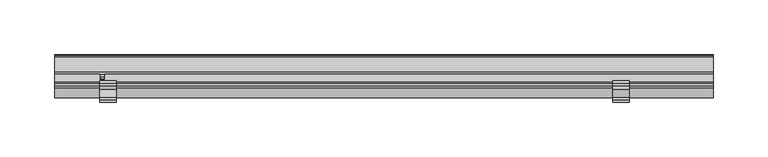
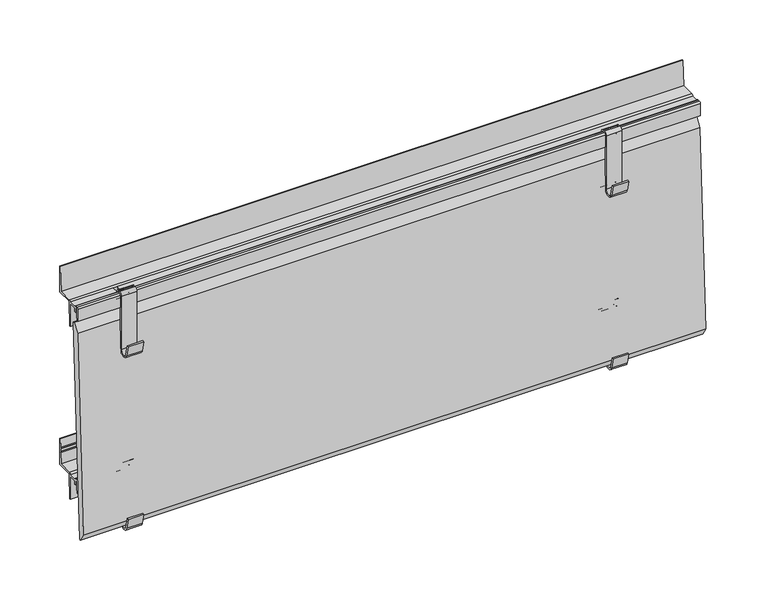
"""IFC4 building model written with IfcOpenShell, lengths in millimetres: plate geometry."""

from ifc_helpers import new_model, si_unit, point, frame, frame_2d, origin, place, context, project, spatial, polyline, circle_curve, trimmed, segment, composite_curve, outline, extrude, source, transform, mapped, element, save
from ifc_brep_helpers import plane_surface, cylinder_surface, revolved_surface, advanced_brep


def plate_7b664f5c(model_context):
    return source(origin(), model_context, "Body", "SolidModel", [
        extrude(outline(composite_curve([segment(polyline([(-18.8607974, 12.4845754), (-16.2339522, 1.8827501)]), True, "CONTINUOUS"), segment(trimmed(circle_curve(frame_2d((-12.5818057, 2.7976552)), 3.765), [point((-16.2339522, 1.8827501))], [point((-8.8168057, 2.7976552))], True, "CARTESIAN"), True, "CONTINUOUS"), segment(polyline([(-8.8168057, 2.7976552), (-8.8168057, 56.7976552)]), True, "CONTINUOUS"), segment(trimmed(circle_curve(frame_2d((-5.8168057, 56.7976552)), 3.0), [point((-8.8168057, 56.7976552))], [point((-5.8168057, 59.7976552))], False, "CARTESIAN"), True, "CONTINUOUS"), segment(polyline([(-5.8168057, 59.7976552), (-3.8168058, 59.7976552)]), True, "CONTINUOUS"), segment(trimmed(circle_curve(frame_2d((-3.8168058, 56.7976552)), 3.0), [point((-3.8168058, 59.7976552))], [point((-0.8168058, 56.7976552))], False, "CARTESIAN"), True, "CONTINUOUS"), segment(polyline([(-0.8168058, 56.7976552), (-0.8168057, 51.7976552)]), True, "CONTINUOUS"), segment(trimmed(circle_curve(frame_2d((0.6831943, 51.7976552)), 1.5), [point((-0.8168057, 51.7976552))], [point((0.6831943, 50.2976552))], True, "CARTESIAN"), True, "CONTINUOUS"), segment(polyline([(0.6831943, 50.2976552), (2.1831943, 50.2976552)]), True, "CONTINUOUS"), segment(trimmed(circle_curve(frame_2d((2.1831943, 47.2976552)), 3.0), [point((2.1831943, 50.2976552))], [point((5.1831943, 47.2976552))], False, "CARTESIAN"), True, "CONTINUOUS"), segment(polyline([(5.1831943, 47.2976552), (5.1831943, 1.2976552)]), True, "CONTINUOUS"), segment(trimmed(circle_curve(frame_2d((2.1831943, 1.2976552)), 3.0), [point((5.1831943, 1.2976552))], [point((-0.8006941, 0.9871553))], False, "CARTESIAN"), True, "CONTINUOUS"), segment(polyline([(-0.8006941, 0.9871553), (-3.8092302, 30.8457927), (-2.3167633, 30.9961593), (0.6808295, 1.2455237)]), True, "CONTINUOUS"), segment(trimmed(circle_curve(frame_2d((2.1815304, 1.2993191)), 1.5016648), [point((0.6808295, 1.2455237))], [point((3.6831943, 1.300983))], True, "CARTESIAN"), True, "CONTINUOUS"), segment(polyline([(3.6831943, 1.300983), (3.6831943, 47.2976552)]), True, "CONTINUOUS"), segment(trimmed(circle_curve(frame_2d((2.1831943, 47.2976552)), 1.5), [point((3.6831943, 47.2976552))], [point((2.1831943, 48.7976552))], True, "CARTESIAN"), True, "CONTINUOUS"), segment(polyline([(2.1831943, 48.7976552), (0.6831943, 48.7976552)]), True, "CONTINUOUS"), segment(trimmed(circle_curve(frame_2d((0.6831943, 51.7976552)), 3.0), [point((0.6831943, 48.7976552))], [point((-2.3168057, 51.7976552))], False, "CARTESIAN"), True, "CONTINUOUS"), segment(polyline([(-2.3168057, 51.7976552), (-2.3168057, 56.7976552)]), True, "CONTINUOUS"), segment(trimmed(circle_curve(frame_2d((-3.8168057, 56.7976552)), 1.5), [point((-2.3168057, 56.7976552))], [point((-3.8168057, 58.2976552))], True, "CARTESIAN"), True, "CONTINUOUS"), segment(polyline([(-3.8168057, 58.2976552), (-5.8168057, 58.2976552)]), True, "CONTINUOUS"), segment(trimmed(circle_curve(frame_2d((-5.8168057, 56.7976552)), 1.5), [point((-5.8168057, 58.2976552))], [point((-7.3168057, 56.7976552))], True, "CARTESIAN"), True, "CONTINUOUS"), segment(polyline([(-7.3168057, 56.7976552), (-7.3168057, 2.7976552)]), True, "CONTINUOUS"), segment(trimmed(circle_curve(frame_2d((-12.5818057, 2.7976552)), 5.265), [point((-7.3168057, 2.7976552))], [point((-17.692272, 1.5314169))], False, "CARTESIAN"), True, "CONTINUOUS"), segment(polyline([(-17.692272, 1.5314169), (-20.3167911, 12.1238271), (-18.8607974, 12.4845754)]), True, "CONTINUOUS")], self_intersect=False)), frame((208.4272488, 0.0, 0.0), z_axis=(1.0, 0.0, 0.0), x_axis=(0.0, 1.0, 0.0)), (0.0, 0.0, 1.0), 15.0),
        extrude(outline(composite_curve([segment(polyline([(-5.8168057, 56.7976552), (-5.8168057, 49.7976552), (-6.3168057, 44.7976552), (-7.3168057, 44.7976552), (-7.3168057, 56.7976552)]), True, "CONTINUOUS"), segment(trimmed(circle_curve(frame_2d((-5.8168057, 56.7976552)), 1.5), [point((-7.3168057, 56.7976552))], [point((-5.8168057, 58.2976552))], False, "CARTESIAN"), True, "CONTINUOUS"), segment(polyline([(-5.8168057, 58.2976552), (-3.8168057, 58.2976552)]), True, "CONTINUOUS"), segment(trimmed(circle_curve(frame_2d((-3.8168057, 56.7976552)), 1.5), [point((-3.8168057, 58.2976552))], [point((-2.3168057, 56.7976552))], False, "CARTESIAN"), True, "CONTINUOUS"), segment(polyline([(-2.3168057, 56.7976552), (5.1831943, 56.7976552)]), True, "CONTINUOUS"), segment(trimmed(circle_curve(frame_2d((6.6831943, 56.7976552)), 1.5), [point((5.1831943, 56.7976552))], [point((6.6831943, 58.2976552))], False, "CARTESIAN"), True, "CONTINUOUS"), segment(polyline([(6.6831943, 58.2976552), (20.6831943, 58.2976552), (21.1423236, 69.7758352), (20.6038409, 70.35277), (21.1905414, 70.9813863), (21.2902042, 73.4729787), (20.7538425, 74.0476552), (21.3382388, 74.6737997), (21.6831943, 83.2976552), (22.6831943, 83.2976552), (22.6831943, 56.7976552), (7.6831943, 56.7976552)]), True, "CONTINUOUS"), segment(trimmed(circle_curve(frame_2d((7.6831943, 56.2976552)), 0.5), [point((7.6831943, 56.7976552))], [point((7.1831943, 56.2976552))], True, "CARTESIAN"), True, "CONTINUOUS"), segment(polyline([(7.1831943, 56.2976552), (7.1831943, 55.3127462), (6.1831943, 31.7976552), (5.1831943, 31.7976552), (5.1831943, 55.2976552), (-2.3168057, 55.2976552), (-2.3168057, 51.7696554), (-3.8168057, 51.7696554), (-3.8168057, 56.7976552), (-5.8168057, 56.7976552)]), True, "CONTINUOUS")], self_intersect=False)), frame((-300.0, 0.0, 0.0), z_axis=(1.0, 0.0, 0.0), x_axis=(0.0, 1.0, 0.0)), (0.0, 0.0, 1.0), 600.0),
        extrude(outline(composite_curve([segment(polyline([(-18.8607974, 12.4845754), (-16.2339522, 1.8827501)]), True, "CONTINUOUS"), segment(trimmed(circle_curve(frame_2d((-12.5818057, 2.7976552)), 3.765), [point((-16.2339522, 1.8827501))], [point((-8.8168057, 2.7976552))], True, "CARTESIAN"), True, "CONTINUOUS"), segment(polyline([(-8.8168057, 2.7976552), (-8.8168057, 56.7976552)]), True, "CONTINUOUS"), segment(trimmed(circle_curve(frame_2d((-5.8168057, 56.7976552)), 3.0), [point((-8.8168057, 56.7976552))], [point((-5.8168057, 59.7976552))], False, "CARTESIAN"), True, "CONTINUOUS"), segment(polyline([(-5.8168057, 59.7976552), (-3.8168057, 59.7976552)]), True, "CONTINUOUS"), segment(trimmed(circle_curve(frame_2d((-3.8168057, 56.7976552)), 3.0), [point((-3.8168057, 59.7976552))], [point((-0.8168057, 56.7976552))], False, "CARTESIAN"), True, "CONTINUOUS"), segment(polyline([(-0.8168057, 56.7976552), (-0.8168057, 51.7976552)]), True, "CONTINUOUS"), segment(trimmed(circle_curve(frame_2d((0.6831943, 51.7976552)), 1.5), [point((-0.8168057, 51.7976552))], [point((0.6831943, 50.2976552))], True, "CARTESIAN"), True, "CONTINUOUS"), segment(polyline([(0.6831943, 50.2976552), (2.1831943, 50.2976552)]), True, "CONTINUOUS"), segment(trimmed(circle_curve(frame_2d((2.1831943, 47.2976552)), 3.0), [point((2.1831943, 50.2976552))], [point((5.1831943, 47.2976552))], False, "CARTESIAN"), True, "CONTINUOUS"), segment(polyline([(5.1831943, 47.2976552), (5.1831943, 1.2976552)]), True, "CONTINUOUS"), segment(trimmed(circle_curve(frame_2d((2.1831943, 1.2976552)), 3.0), [point((5.1831943, 1.2976552))], [point((-0.8006941, 0.9871553))], False, "CARTESIAN"), True, "CONTINUOUS"), segment(polyline([(-0.8006941, 0.9871553), (-3.8092302, 30.8457927), (-2.3167633, 30.9961593), (0.6808295, 1.2455237)]), True, "CONTINUOUS"), segment(trimmed(circle_curve(frame_2d((2.1815304, 1.2993191)), 1.5016648), [point((0.6808295, 1.2455237))], [point((3.6831943, 1.300983))], True, "CARTESIAN"), True, "CONTINUOUS"), segment(polyline([(3.6831943, 1.300983), (3.6831943, 47.2976552)]), True, "CONTINUOUS"), segment(trimmed(circle_curve(frame_2d((2.1831943, 47.2976552)), 1.5), [point((3.6831943, 47.2976552))], [point((2.1831943, 48.7976552))], True, "CARTESIAN"), True, "CONTINUOUS"), segment(polyline([(2.1831943, 48.7976552), (0.6831943, 48.7976552)]), True, "CONTINUOUS"), segment(trimmed(circle_curve(frame_2d((0.6831943, 51.7976552)), 3.0), [point((0.6831943, 48.7976552))], [point((-2.3168057, 51.7976552))], False, "CARTESIAN"), True, "CONTINUOUS"), segment(polyline([(-2.3168057, 51.7976552), (-2.3168057, 56.7976552)]), True, "CONTINUOUS"), segment(trimmed(circle_curve(frame_2d((-3.8168057, 56.7976552)), 1.5), [point((-2.3168057, 56.7976552))], [point((-3.8168057, 58.2976552))], True, "CARTESIAN"), True, "CONTINUOUS"), segment(polyline([(-3.8168057, 58.2976552), (-5.8168057, 58.2976552)]), True, "CONTINUOUS"), segment(trimmed(circle_curve(frame_2d((-5.8168057, 56.7976552)), 1.5), [point((-5.8168057, 58.2976552))], [point((-7.3168057, 56.7976552))], True, "CARTESIAN"), True, "CONTINUOUS"), segment(polyline([(-7.3168057, 56.7976552), (-7.3168057, 2.7976552)]), True, "CONTINUOUS"), segment(trimmed(circle_curve(frame_2d((-12.5818057, 2.7976552)), 5.265), [point((-7.3168057, 2.7976552))], [point((-17.692272, 1.5314169))], False, "CARTESIAN"), True, "CONTINUOUS"), segment(polyline([(-17.692272, 1.5314169), (-20.3167911, 12.1238271), (-18.8607974, 12.4845754)]), True, "CONTINUOUS")], self_intersect=False)), frame((-258.9272488, 0.0, 0.0), z_axis=(1.0, 0.0, 0.0), x_axis=(0.0, 1.0, 0.0)), (0.0, 0.0, 1.0), 15.0),
        extrude(outline(composite_curve([segment(polyline([(-8.8168056, 178.7801056), (-8.8168056, 232.7801055)]), True, "CONTINUOUS"), segment(trimmed(circle_curve(frame_2d((-5.8168057, 232.7801055)), 3.0), [point((-8.8168056, 232.7801055))], [point((-5.8168057, 235.7801055))], False, "CARTESIAN"), True, "CONTINUOUS"), segment(polyline([(-5.8168057, 235.7801055), (-3.8168057, 235.7801055)]), True, "CONTINUOUS"), segment(trimmed(circle_curve(frame_2d((-3.8168057, 232.7801055)), 3.0), [point((-3.8168057, 235.7801055))], [point((-0.8168057, 232.7801055))], False, "CARTESIAN"), True, "CONTINUOUS"), segment(polyline([(-0.8168057, 232.7801055), (-0.8168057, 227.7801055)]), True, "CONTINUOUS"), segment(trimmed(circle_curve(frame_2d((0.6831943, 227.7801055)), 1.5), [point((-0.8168057, 227.7801055))], [point((0.6831943, 226.2801055))], True, "CARTESIAN"), True, "CONTINUOUS"), segment(polyline([(0.6831943, 226.2801055), (2.1831943, 226.2801055)]), True, "CONTINUOUS"), segment(trimmed(circle_curve(frame_2d((2.1831943, 223.2801056)), 3.0), [point((2.1831943, 226.2801055))], [point((5.1831943, 223.2801056))], False, "CARTESIAN"), True, "CONTINUOUS"), segment(polyline([(5.1831943, 223.2801056), (5.1831943, 177.2801056)]), True, "CONTINUOUS"), segment(trimmed(circle_curve(frame_2d((2.1831943, 177.2801056)), 3.0), [point((5.1831943, 177.2801056))], [point((-0.8168057, 177.2801056))], False, "CARTESIAN"), True, "CONTINUOUS"), segment(polyline([(-0.8168057, 177.2801056), (-0.8168057, 207.2801056), (0.6831943, 207.2801056), (0.6831943, 177.2801056)]), True, "CONTINUOUS"), segment(trimmed(circle_curve(frame_2d((2.1831943, 177.2801056)), 1.5), [point((0.6831943, 177.2801056))], [point((3.6831943, 177.2801056))], True, "CARTESIAN"), True, "CONTINUOUS"), segment(polyline([(3.6831943, 177.2801056), (3.6831943, 223.2801056)]), True, "CONTINUOUS"), segment(trimmed(circle_curve(frame_2d((2.1831943, 223.2801056)), 1.5), [point((3.6831943, 223.2801056))], [point((2.1831943, 224.7801056))], True, "CARTESIAN"), True, "CONTINUOUS"), segment(polyline([(2.1831943, 224.7801056), (0.6831943, 224.7801056)]), True, "CONTINUOUS"), segment(trimmed(circle_curve(frame_2d((0.6831943, 227.7801055)), 3.0), [point((0.6831943, 224.7801056))], [point((-2.3168057, 227.7801055))], False, "CARTESIAN"), True, "CONTINUOUS"), segment(polyline([(-2.3168057, 227.7801055), (-2.3168057, 232.7801055)]), True, "CONTINUOUS"), segment(trimmed(circle_curve(frame_2d((-3.8168057, 232.7801055)), 1.5), [point((-2.3168057, 232.7801055))], [point((-3.8168057, 234.2801055))], True, "CARTESIAN"), True, "CONTINUOUS"), segment(polyline([(-3.8168057, 234.2801055), (-5.8168057, 234.2801055)]), True, "CONTINUOUS"), segment(trimmed(circle_curve(frame_2d((-5.8168057, 232.7801055)), 1.5), [point((-5.8168057, 234.2801055))], [point((-7.3168057, 232.7801055))], True, "CARTESIAN"), True, "CONTINUOUS"), segment(polyline([(-7.3168057, 232.7801055), (-7.3168057, 178.7801056)]), True, "CONTINUOUS"), segment(trimmed(circle_curve(frame_2d((-12.5818056, 178.7801056)), 5.265), [point((-7.3168057, 178.7801056))], [point((-17.6922719, 177.5138672))], False, "CARTESIAN"), True, "CONTINUOUS"), segment(polyline([(-17.6922719, 177.5138672), (-20.316791, 188.1062774), (-18.8607973, 188.4670257), (-16.2386219, 177.8840476)]), True, "CONTINUOUS"), segment(trimmed(circle_curve(frame_2d((-12.5818056, 178.7801056)), 3.765), [point((-16.2386219, 177.8840476))], [point((-8.8168056, 178.7801056))], True, "CARTESIAN"), True, "CONTINUOUS")], self_intersect=False)), frame((-258.9272488, 0.0, 0.0), z_axis=(1.0, 0.0, 0.0), x_axis=(0.0, 1.0, 0.0)), (0.0, 0.0, 1.0), 15.0),
        advanced_brep(
        [(300.0, -6.3168057, 220.7801056), (300.0, -5.8168057, 225.7801056), (300.0, -5.8168057, 232.7801056), (300.0, -3.8168057, 232.7801056), (300.0, -3.8168057, 227.7521057), (300.0, -2.3168057, 227.7521057), (300.0, -2.3168057, 231.2801056), (300.0, 5.1831943, 231.2801056), (300.0, 5.1831943, 207.7801056), (300.0, 6.1831943, 207.7801056), (300.0, 7.2219099, 232.2055981), (300.0, 7.8213681, 232.7801056), (300.0, 22.6831943, 232.7801056), (300.0, 22.6831943, 259.2801056), (300.0, 21.6831943, 259.2801056), (300.0, 20.6831943, 234.2801056), (300.0, 6.6831943, 234.2801056), (300.0, 5.1831942, 232.7801056), (300.0, -2.3168057, 232.7801056), (300.0, -3.8168057, 234.2801056), (300.0, -5.8168057, 234.2801056), (300.0, -7.3168057, 232.7801056), (300.0, -7.3168057, 220.7801056), (-300.0, -6.3168057, 220.7801056), (-300.0, -7.3168057, 220.7801056), (-300.0, -7.3168057, 232.7801056), (-300.0, -5.8168057, 234.2801056), (-300.0, -3.8168057, 234.2801056), (-300.0, -2.3168057, 232.7801056), (-300.0, 5.1831942, 232.7801056), (-300.0, 6.6831943, 234.2801056), (-300.0, 20.6831943, 234.2801056), (-300.0, 21.6831943, 259.2801056), (-300.0, 22.6831943, 259.2801056), (-300.0, 22.6831943, 232.7801056), (-300.0, 7.8213681, 232.7801056), (-300.0, 7.2219099, 232.2055981), (-300.0, 6.1831943, 207.7801056), (-300.0, 5.1831943, 207.7801056), (-300.0, 5.1831943, 231.2801056), (-300.0, -2.3168057, 231.2801056), (-300.0, -2.3168057, 227.7521057), (-300.0, -3.8168057, 227.7521057), (-300.0, -3.8168057, 232.7801056), (-300.0, -5.8168057, 232.7801056), (-300.0, -5.8168057, 225.7801056), (-254.6830534, 5.1831942, 232.7801056), (-254.6830534, 0.0, 232.7801056), (-258.9272488, 0.0, 232.7801056), (-258.9272488, 5.1831942, 232.7801056), (-254.6830534, 5.1831943, 231.2801056), (-258.9272488, 5.1831943, 231.2801056), (-258.9272488, 0.0, 231.2801056), (-254.6830534, 0.0, 231.2801056)],
        [
            (0, 1),
            (1, 2),
            (2, 3),
            (3, 4),
            (4, 5),
            (5, 6),
            (6, 7),
            (7, 8),
            (8, 9),
            (9, 10),
            (10, 11, circle_curve(frame((300.0, 7.8213681, 232.1801056), z_axis=(-1.0, 0.0, 0.0), x_axis=(0.0, -1.0, 0.0)), 0.6)),
            (11, 12),
            (12, 13),
            (13, 14),
            (14, 15),
            (15, 16),
            (16, 17, circle_curve(frame((300.0, 6.6831943, 232.7801056), z_axis=(1.0, 0.0, 0.0), x_axis=(0.0, -1.0, 0.0)), 1.5)),
            (17, 18),
            (18, 19, circle_curve(frame((300.0, -3.8168057, 232.7801056), z_axis=(1.0, 0.0, 0.0), x_axis=(0.0, -1.0, 0.0)), 1.5)),
            (19, 20),
            (20, 21, circle_curve(frame((300.0, -5.8168057, 232.7801056), z_axis=(1.0, 0.0, 0.0), x_axis=(0.0, -1.0, 0.0)), 1.5)),
            (21, 22),
            (22, 0),
            (23, 24),
            (24, 25),
            (25, 26, circle_curve(frame((-300.0, -5.8168057, 232.7801056), z_axis=(-1.0, 0.0, 0.0), x_axis=(0.0, -1.0, 0.0)), 1.5)),
            (26, 27),
            (27, 28, circle_curve(frame((-300.0, -3.8168057, 232.7801056), z_axis=(-1.0, 0.0, 0.0), x_axis=(0.0, -1.0, 0.0)), 1.5)),
            (28, 29),
            (29, 30, circle_curve(frame((-300.0, 6.6831943, 232.7801056), z_axis=(-1.0, 0.0, 0.0), x_axis=(0.0, -1.0, 0.0)), 1.5)),
            (30, 31),
            (31, 32),
            (32, 33),
            (33, 34),
            (34, 35),
            (35, 36, circle_curve(frame((-300.0, 7.8213681, 232.1801056), z_axis=(1.0, 0.0, 0.0), x_axis=(0.0, -1.0, 0.0)), 0.6)),
            (36, 37),
            (37, 38),
            (38, 39),
            (39, 40),
            (40, 41),
            (41, 42),
            (42, 43),
            (43, 44),
            (44, 45),
            (45, 23),
            (22, 24),
            (23, 0),
            (21, 25),
            (20, 26),
            (19, 27),
            (18, 28),
            (17, 46),
            (46, 47),
            (47, 48),
            (48, 49),
            (49, 29),
            (16, 30),
            (49, 46),
            (15, 31),
            (14, 32),
            (13, 33),
            (12, 34),
            (11, 35),
            (10, 36),
            (9, 37),
            (8, 38),
            (7, 50),
            (50, 46),
            (49, 51),
            (51, 39),
            (6, 40),
            (51, 52),
            (52, 53),
            (53, 50),
            (5, 41),
            (4, 42),
            (3, 43),
            (2, 44),
            (1, 45),
            (48, 52),
            (53, 47),
        ],
        [
            plane_surface(frame((300.0, -7.3168057, 220.7801056), z_axis=(1.0, 0.0, 0.0), x_axis=(0.0, -1.0, 0.0))),
            plane_surface(frame((-300.0, -7.3168057, 220.7801056), z_axis=(-1.0, 0.0, 0.0), x_axis=(0.0, 1.0, 0.0))),
            plane_surface(frame((300.0, -6.3168057, 220.7801056), z_axis=(0.0, 0.0, -1.0), x_axis=(-1.0, 0.0, 0.0))),
            plane_surface(frame((300.0, -7.3168057, 220.7801056), z_axis=(0.0, -1.0, 0.0), x_axis=(-1.0, 0.0, 0.0))),
            cylinder_surface(frame((-300.0, -5.8168057, 232.7801056), z_axis=(1.0, 0.0, 0.0), x_axis=(0.0, -1.0, 0.0)), 1.5),
            plane_surface(frame((300.0, -5.8168057, 234.2801056), z_axis=(0.0, 0.0, 1.0), x_axis=(-1.0, 0.0, 0.0))),
            cylinder_surface(frame((-300.0, -3.8168057, 232.7801056), z_axis=(1.0, 0.0, 0.0), x_axis=(0.0, -1.0, 0.0)), 1.5),
            plane_surface(frame((300.0, -2.3168057, 232.7801056), z_axis=(0.0, 0.0, 1.0), x_axis=(-1.0, 0.0, 0.0))),
            cylinder_surface(frame((-300.0, 6.6831943, 232.7801056), z_axis=(1.0, 0.0, 0.0), x_axis=(0.0, -1.0, 0.0)), 1.5),
            plane_surface(frame((300.0, 6.6831943, 234.2801056), z_axis=(0.0, 0.0, 1.0), x_axis=(-1.0, 0.0, 0.0))),
            plane_surface(frame((300.0, 20.6831943, 234.2801056), z_axis=(0.0, -0.9992009587217895, 0.0399680383488705), x_axis=(-1.0, 0.0, 0.0))),
            plane_surface(frame((300.0, 21.6831943, 259.2801056), z_axis=(0.0, 0.0, 1.0), x_axis=(-1.0, 0.0, 0.0))),
            plane_surface(frame((300.0, 22.6831943, 259.2801056), z_axis=(0.0, 1.0, 0.0), x_axis=(-1.0, 0.0, 0.0))),
            plane_surface(frame((300.0, 22.6831943, 232.7801056), z_axis=(0.0, 0.0, -1.0), x_axis=(-1.0, 0.0, 0.0))),
            revolved_surface(polyline([(-300.0, 7.2213681, 232.1801056), (300.0, 7.2213681, 232.1801056)]), (-300.0, 7.8213681, 232.1801056), (-1.0, 0.0, 0.0)),
            plane_surface(frame((300.0, 7.2219099, 232.2055981), z_axis=(0.0, 0.9990969992385167, -0.04248748183396547), x_axis=(-1.0, 0.0, 0.0))),
            plane_surface(frame((300.0, 6.1831943, 207.7801056), z_axis=(0.0, 0.0, -1.0), x_axis=(-1.0, 0.0, 0.0))),
            plane_surface(frame((300.0, 5.1831943, 207.7801056), z_axis=(0.0, -1.0, 0.0), x_axis=(-1.0, 0.0, 0.0))),
            plane_surface(frame((300.0, 5.1831943, 231.2801056), z_axis=(0.0, 0.0, -1.0), x_axis=(-1.0, 0.0, 0.0))),
            plane_surface(frame((300.0, -2.3168057, 231.2801056), z_axis=(0.0, 1.0, 0.0), x_axis=(-1.0, 0.0, 0.0))),
            plane_surface(frame((300.0, -2.3168057, 227.7521057), z_axis=(0.0, 0.0, -1.0), x_axis=(-1.0, 0.0, 0.0))),
            plane_surface(frame((300.0, -3.8168057, 227.7521057), z_axis=(0.0, -1.0, 0.0), x_axis=(-1.0, 0.0, 0.0))),
            plane_surface(frame((300.0, -3.8168057, 232.7801056), z_axis=(0.0, 0.0, -1.0), x_axis=(-1.0, 0.0, 0.0))),
            plane_surface(frame((300.0, -5.8168057, 232.7801056), z_axis=(0.0, 1.0, 0.0), x_axis=(-1.0, 0.0, 0.0))),
            plane_surface(frame((300.0, -5.8168057, 225.7801056), z_axis=(0.0, 0.9950371902099884, -0.0995037190210076), x_axis=(-1.0, 0.0, 0.0))),
            plane_surface(frame((-258.9272488, 5.1831943, 232.7801055), z_axis=(1.0, 0.0, 0.0), x_axis=(0.0, 0.0, 1.0))),
            plane_surface(frame((-254.6830534, 5.1831943, 232.7801055), z_axis=(-1.0, 0.0, 0.0), x_axis=(0.0, 0.0, -1.0))),
            plane_surface(frame((-254.6830534, 0.0, 231.2801056), z_axis=(0.0, 1.0, 0.0), x_axis=(-1.0, 0.0, 0.0))),
        ],
        [
            (0, [[1, 2, 3, 4, 5, 6, 7, 8, 9, 10, 11, 12, 13, 14, 15, 16, 17, 18, 19, 20, 21, 22, 23]]),
            (1, [[24, 25, 26, 27, 28, 29, 30, 31, 32, 33, 34, 35, 36, 37, 38, 39, 40, 41, 42, 43, 44, 45, 46]]),
            (2, [[47, -24, 48, -23]]),
            (3, [[49, -25, -47, -22]]),
            (4, [[50, -26, -49, -21]]),
            (5, [[51, -27, -50, -20]]),
            (6, [[52, -28, -51, -19]]),
            (7, [[53, 54, 55, 56, 57, -29, -52, -18]]),
            (8, [[58, -30, -57, 59, -53, -17]]),
            (9, [[60, -31, -58, -16]]),
            (10, [[61, -32, -60, -15]]),
            (11, [[62, -33, -61, -14]]),
            (12, [[63, -34, -62, -13]]),
            (13, [[64, -35, -63, -12]]),
            (14, [[65, -36, -64, -11]]),
            (15, [[66, -37, -65, -10]]),
            (16, [[67, -38, -66, -9]]),
            (17, [[68, 69, -59, 70, 71, -39, -67, -8]]),
            (18, [[72, -40, -71, 73, 74, 75, -68, -7]]),
            (19, [[76, -41, -72, -6]]),
            (20, [[77, -42, -76, -5]]),
            (21, [[78, -43, -77, -4]]),
            (22, [[79, -44, -78, -3]]),
            (23, [[80, -45, -79, -2]]),
            (24, [[-48, -46, -80, -1]]),
            (25, [[-56, 81, -73, -70]]),
            (26, [[-54, -69, -75, 82]]),
            (27, [[-55, -82, -74, -81]]),
        ],
    ),
        extrude(outline(composite_curve([segment(polyline([(-8.8168056, 178.7801056), (-8.8168056, 232.7801055)]), True, "CONTINUOUS"), segment(trimmed(circle_curve(frame_2d((-5.8168057, 232.7801055)), 3.0), [point((-8.8168056, 232.7801055))], [point((-5.8168057, 235.7801055))], False, "CARTESIAN"), True, "CONTINUOUS"), segment(polyline([(-5.8168057, 235.7801055), (-3.8168057, 235.7801055)]), True, "CONTINUOUS"), segment(trimmed(circle_curve(frame_2d((-3.8168057, 232.7801055)), 3.0), [point((-3.8168057, 235.7801055))], [point((-0.8168057, 232.7801055))], False, "CARTESIAN"), True, "CONTINUOUS"), segment(polyline([(-0.8168057, 232.7801055), (-0.8168057, 227.7801055)]), True, "CONTINUOUS"), segment(trimmed(circle_curve(frame_2d((0.6831943, 227.7801055)), 1.5), [point((-0.8168057, 227.7801055))], [point((0.6831943, 226.2801055))], True, "CARTESIAN"), True, "CONTINUOUS"), segment(polyline([(0.6831943, 226.2801055), (2.1831943, 226.2801055)]), True, "CONTINUOUS"), segment(trimmed(circle_curve(frame_2d((2.1831943, 223.2801056)), 3.0), [point((2.1831943, 226.2801055))], [point((5.1831943, 223.2801056))], False, "CARTESIAN"), True, "CONTINUOUS"), segment(polyline([(5.1831943, 223.2801056), (5.1831943, 177.2801056)]), True, "CONTINUOUS"), segment(trimmed(circle_curve(frame_2d((2.1831943, 177.2801056)), 3.0), [point((5.1831943, 177.2801056))], [point((-0.8168057, 177.2801056))], False, "CARTESIAN"), True, "CONTINUOUS"), segment(polyline([(-0.8168057, 177.2801056), (-0.8168057, 207.2801056), (0.6831943, 207.2801056), (0.6831943, 177.2801056)]), True, "CONTINUOUS"), segment(trimmed(circle_curve(frame_2d((2.1831943, 177.2801056)), 1.5), [point((0.6831943, 177.2801056))], [point((3.6831943, 177.2801056))], True, "CARTESIAN"), True, "CONTINUOUS"), segment(polyline([(3.6831943, 177.2801056), (3.6831943, 223.2801056)]), True, "CONTINUOUS"), segment(trimmed(circle_curve(frame_2d((2.1831943, 223.2801056)), 1.5), [point((3.6831943, 223.2801056))], [point((2.1831943, 224.7801056))], True, "CARTESIAN"), True, "CONTINUOUS"), segment(polyline([(2.1831943, 224.7801056), (0.6831943, 224.7801056)]), True, "CONTINUOUS"), segment(trimmed(circle_curve(frame_2d((0.6831943, 227.7801055)), 3.0), [point((0.6831943, 224.7801056))], [point((-2.3168057, 227.7801055))], False, "CARTESIAN"), True, "CONTINUOUS"), segment(polyline([(-2.3168057, 227.7801055), (-2.3168057, 232.7801055)]), True, "CONTINUOUS"), segment(trimmed(circle_curve(frame_2d((-3.8168057, 232.7801055)), 1.5), [point((-2.3168057, 232.7801055))], [point((-3.8168057, 234.2801055))], True, "CARTESIAN"), True, "CONTINUOUS"), segment(polyline([(-3.8168057, 234.2801055), (-5.8168057, 234.2801055)]), True, "CONTINUOUS"), segment(trimmed(circle_curve(frame_2d((-5.8168057, 232.7801055)), 1.5), [point((-5.8168057, 234.2801055))], [point((-7.3168057, 232.7801055))], True, "CARTESIAN"), True, "CONTINUOUS"), segment(polyline([(-7.3168057, 232.7801055), (-7.3168057, 178.7801056)]), True, "CONTINUOUS"), segment(trimmed(circle_curve(frame_2d((-12.5818056, 178.7801056)), 5.265), [point((-7.3168057, 178.7801056))], [point((-17.6922719, 177.5138672))], False, "CARTESIAN"), True, "CONTINUOUS"), segment(polyline([(-17.6922719, 177.5138672), (-20.316791, 188.1062774), (-18.8607973, 188.4670257), (-16.2386219, 177.8840476)]), True, "CONTINUOUS"), segment(trimmed(circle_curve(frame_2d((-12.5818056, 178.7801056)), 3.765), [point((-16.2386219, 177.8840476))], [point((-8.8168056, 178.7801056))], True, "CARTESIAN"), True, "CONTINUOUS")], self_intersect=False)), frame((208.4272488, 0.0, 0.0), z_axis=(1.0, 0.0, 0.0), x_axis=(0.0, 1.0, 0.0)), (0.0, 0.0, 1.0), 15.0),
        extrude(outline(polyline([(-1.1419327, 215.813656), (0.0, 215.813656), (-10.0622119, 0.0), (-11.1537037, 0.0), (-16.2901922, 8.2146092), (-6.7647052, 208.035076), (-1.1419327, 215.813656)])), frame((-300.0, 0.0, 0.0), z_axis=(1.0, 0.0, 0.0), x_axis=(0.0, 1.0, 0.0)), (0.0, 0.0, 1.0), 600.0),
    ])


if __name__ == "__main__":
    model = new_model("IFC4")
    model_context = context("Model", 3, world=origin())
    ifc_project = project(units=[si_unit("LENGTHUNIT", "METRE", prefix="MILLI")], contexts=[model_context])
    site = spatial("IfcSite", under=ifc_project)
    building = spatial("IfcBuilding", under=site)
    placement = place(None, origin())
    plate_shape = plate_7b664f5c(model_context)
    element("IfcPlate", 1, at=placement, inside=building, context=model_context, shape_type="MappedRepresentation", body=[
        mapped(plate_shape, transform((0.0, 0.0, 0.0), x_axis=(1.0, 0.0, 0.0), y_axis=(0.0, 1.0, 0.0), z_axis=(0.0, 0.0, 1.0))),
    ])
    save(model, "model.ifc")
